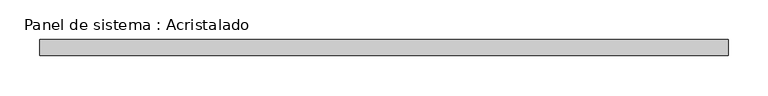
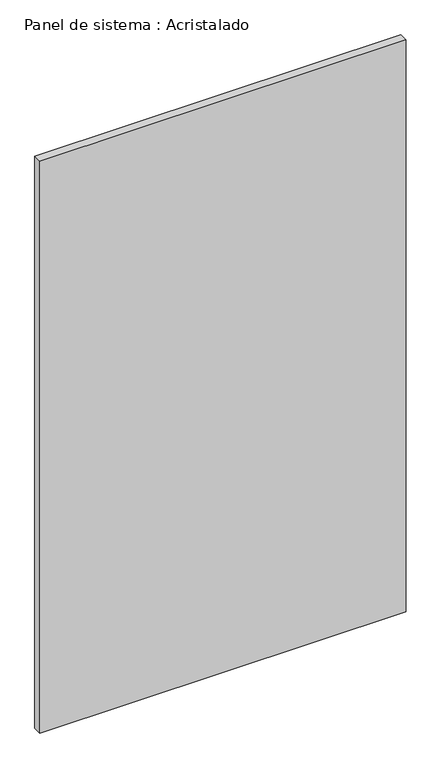
"""IFC4 building model written with IfcOpenShell, lengths in millimetres: plate geometry, Panel de sistema : Acristalado."""

import ifcopenshell
import ifcopenshell.guid

model = None  # the IFC model being written
_history = None  # IfcOwnerHistory: only IFC2X3 demands one
_inside = {}  # id of a spatial element -> (the spatial element, [elements in it])
_under = {}  # id of a project, library or spatial element -> (it, [spatial elements below it])
_declared = {}  # id of a project -> (the project, [libraries it declares])
_typed = {}  # id of a type object -> (the type object, [elements of that type])
_made_of = {}  # id of a material, layer set ... -> (it, [elements and type objects made of it])


def new_model(schema):
    """Start an empty IFC model of exactly this schema.

    Asked for "IFC4X3", IfcOpenShell would pick the latest addendum, in which some entities
    have other attributes; the version numbers below select the first issue.
    IFC2X3 requires an IfcOwnerHistory on every rooted entity: one is made here for all.
    """
    global model, _history
    if schema == "IFC4X3":
        model = ifcopenshell.file(schema_version=(4, 3, 0, 0))
    else:
        model = ifcopenshell.file(schema=schema)
    _inside.clear()
    _under.clear()
    _declared.clear()
    _typed.clear()
    _made_of.clear()
    _history = None
    if model.schema == "IFC2X3":
        org = make("IfcOrganization", Name="unknown")
        user = make(
            "IfcPersonAndOrganization",
            ThePerson=make("IfcPerson", FamilyName="unknown"),
            TheOrganization=org,
        )
        app = make(
            "IfcApplication",
            ApplicationDeveloper=org,
            Version="unknown",
            ApplicationFullName="unknown",
            ApplicationIdentifier="unknown",
        )
        _history = make(
            "IfcOwnerHistory",
            OwningUser=user,
            OwningApplication=app,
            ChangeAction="ADDED",
            CreationDate=0,
        )
    return model


def make(cls, **values):
    """One entity of the class cls with the attributes given. An attribute that is None is left unset."""
    return model.create_entity(
        cls, **{name: value for name, value in values.items() if value is not None}
    )


def rooted(cls, **values):
    """An entity with a GlobalId (a new one), such as an element, a storey or a relation."""
    return make(cls, GlobalId=ifcopenshell.guid.new(), OwnerHistory=_history, **values)


def si_unit(unit_type, name, prefix=None):
    """IfcSIUnit, for example si_unit("LENGTHUNIT", "METRE", prefix="MILLI")."""
    return make("IfcSIUnit", UnitType=unit_type, Prefix=prefix, Name=name)


def assignment(units):
    """IfcUnitAssignment: the units of a project."""
    return None if units is None else make("IfcUnitAssignment", Units=units)


def point(xyz):
    """IfcCartesianPoint."""
    return None if xyz is None else make("IfcCartesianPoint", Coordinates=xyz)


def direction(xyz):
    """IfcDirection."""
    return None if xyz is None else make("IfcDirection", DirectionRatios=xyz)


def frame(location, z_axis=None, x_axis=None):
    """IfcAxis2Placement3D, a coordinate frame: its origin and axes. An axis left out is left unset."""
    return make(
        "IfcAxis2Placement3D",
        Location=point(location),
        Axis=direction(z_axis),
        RefDirection=direction(x_axis),
    )


def origin():
    """The frame at (0, 0, 0) with its axes left unset."""
    return frame((0.0, 0.0, 0.0))


def origin_with_axes():
    """The frame at (0, 0, 0) with the z axis (0, 0, 1) and the x axis (1, 0, 0) written out."""
    return frame((0.0, 0.0, 0.0), z_axis=(0.0, 0.0, 1.0), x_axis=(1.0, 0.0, 0.0))


def place(relative_to, where):
    """IfcLocalPlacement: puts the frame where relative to a parent placement (None: the world)."""
    return make(
        "IfcLocalPlacement", PlacementRelTo=relative_to, RelativePlacement=where
    )


def context(
    kind, dimensions, precision=None, world=None, true_north=None, identifier=None
):
    """IfcGeometricRepresentationContext, for example the 3D "Model" context."""
    return make(
        "IfcGeometricRepresentationContext",
        ContextIdentifier=identifier,
        ContextType=kind,
        CoordinateSpaceDimension=dimensions,
        Precision=precision,
        WorldCoordinateSystem=world,
        TrueNorth=true_north,
    )


def project(units=None, contexts=None):
    """IfcProject with its units and contexts."""
    return rooted(
        "IfcProject",
        Name="project",
        RepresentationContexts=contexts,
        UnitsInContext=assignment(units),
    )


def spatial(cls, under=None, at=None, **own):
    """A site, building, storey or space (cls), placed at a placement, below another one or the project."""
    s = rooted(cls, ObjectPlacement=at, **own)
    if under is not None:
        _under.setdefault(under.id(), (under, []))[1].append(s)
    return s


def polyline(points):
    """IfcPolyline through the points."""
    return make("IfcPolyline", Points=[point(p) for p in points])


def outline(outer, holes=None, kind="AREA"):
    """IfcArbitraryClosedProfileDef: a profile drawn as a closed curve; with holes, ...WithVoids."""
    if holes is None:
        return make("IfcArbitraryClosedProfileDef", ProfileType=kind, OuterCurve=outer)
    return make(
        "IfcArbitraryProfileDefWithVoids",
        ProfileType=kind,
        OuterCurve=outer,
        InnerCurves=holes,
    )


def extrude(swept, where, along, depth):
    """IfcExtrudedAreaSolid: the profile swept, set in the frame where, extruded along a direction by depth."""
    return make(
        "IfcExtrudedAreaSolid",
        SweptArea=swept,
        Position=where,
        ExtrudedDirection=direction(along),
        Depth=depth,
    )


def shape(context_of_items, identifier, shape_type, items):
    """IfcShapeRepresentation: the items that make up one representation, for example the "Body"."""
    return make(
        "IfcShapeRepresentation",
        ContextOfItems=context_of_items,
        RepresentationIdentifier=identifier,
        RepresentationType=shape_type,
        Items=items,
    )


def source(mapping_origin, context_of_items, identifier, shape_type, items):
    """IfcRepresentationMap: a shape defined once, which mapped items show again and again."""
    return make(
        "IfcRepresentationMap",
        MappingOrigin=mapping_origin,
        MappedRepresentation=shape(context_of_items, identifier, shape_type, items),
    )


def transform(
    local_origin,
    x_axis=None,
    y_axis=None,
    z_axis=None,
    scale=None,
    scale2=None,
    scale3=None,
    uniform=True,
):
    """IfcCartesianTransformationOperator3D, or its non-uniform kind. x_axis, y_axis, z_axis: its Axis1, 2, 3."""
    if uniform:
        return make(
            "IfcCartesianTransformationOperator3D",
            Axis1=direction(x_axis),
            Axis2=direction(y_axis),
            LocalOrigin=point(local_origin),
            Scale=scale,
            Axis3=direction(z_axis),
        )
    return make(
        "IfcCartesianTransformationOperator3DnonUniform",
        Axis1=direction(x_axis),
        Axis2=direction(y_axis),
        LocalOrigin=point(local_origin),
        Scale=scale,
        Axis3=direction(z_axis),
        Scale2=scale2,
        Scale3=scale3,
    )


def mapped(mapping_source, mapping_target):
    """IfcMappedItem: shows the shape of a source again, moved by a transform."""
    return make(
        "IfcMappedItem", MappingSource=mapping_source, MappingTarget=mapping_target
    )


def made_of(thing, what):
    """Note that an element or type object is made of a material, layer set ...; save() writes the relation."""
    if what is not None:
        _made_of.setdefault(what.id(), (what, []))[1].append(thing)
    return thing


def element(
    cls,
    number,
    at=None,
    inside=None,
    cuts=None,
    type_object=None,
    material=None,
    context=None,
    identifier="Body",
    shape_type=None,
    held_by="IfcProductDefinitionShape",
    body=None,
    shapes=None,
    **own,
):
    """One element of the class cls, such as IfcWall. Its Tag is "e" and its number.

    at: its placement. inside: the storey or other place that contains it. cuts: it is an
    opening in that element (IfcRelVoidsElement). A single representation is given by context,
    identifier, shape_type and body (its items); several are given by shapes. held_by: the class
    of the entity that holds the representations. save() writes the other relations.
    """
    e = rooted(cls, Tag="e%d" % number, ObjectPlacement=at, **own)
    if body is not None:
        shapes = [shape(context, identifier, shape_type, body)]
    if shapes is not None:
        e.Representation = make(held_by, Representations=shapes)
    if inside is not None:
        _inside.setdefault(inside.id(), (inside, []))[1].append(e)
    if cuts is not None:
        rooted(
            "IfcRelVoidsElement", RelatingBuildingElement=cuts, RelatedOpeningElement=e
        )
    if type_object is not None:
        _typed.setdefault(type_object.id(), (type_object, []))[1].append(e)
    return made_of(e, material)


def aggregate(whole, parts):
    """IfcRelAggregates: a whole, such as a stair, and the parts it consists of."""
    return rooted("IfcRelAggregates", RelatingObject=whole, RelatedObjects=parts)


def save(model, path):
    """Write the relations noted so far, then the file.

    IfcRelAggregates (storeys below a building ...), IfcRelContainedInSpatialStructure (elements
    in a storey), IfcRelDefinesByType, IfcRelAssociatesMaterial and IfcRelDeclares: one each for
    every whole, place, type object, material and project.
    """
    for whole, parts in _under.values():
        aggregate(whole, parts)
    for where, things in _inside.values():
        rooted(
            "IfcRelContainedInSpatialStructure",
            RelatedElements=things,
            RelatingStructure=where,
        )
    for kind, things in _typed.values():
        rooted("IfcRelDefinesByType", RelatedObjects=things, RelatingType=kind)
    for what, things in _made_of.values():
        rooted("IfcRelAssociatesMaterial", RelatedObjects=things, RelatingMaterial=what)
    for by, libraries in _declared.values():
        rooted("IfcRelDeclares", RelatingContext=by, RelatedDefinitions=libraries)
    model.write(path)


def panel_de_sistema_acristalado_970eabf3(model_context):
    return source(origin(), model_context, "Body", "SweptSolid", [
        extrude(outline(polyline([(430.0450398, -10.0), (-430.0450398, -10.0), (-430.0450398, 10.0), (430.0450398, 10.0), (430.0450398, -10.0)])), origin_with_axes(), (0.0, 0.0, 1.0), 1419.2228533),
    ])


if __name__ == "__main__":
    model = new_model("IFC4")
    model_context = context("Model", 3, world=origin())
    ifc_project = project(units=[si_unit("LENGTHUNIT", "METRE", prefix="MILLI")], contexts=[model_context])
    site = spatial("IfcSite", under=ifc_project)
    building = spatial("IfcBuilding", under=site)
    placement = place(None, origin())
    panel_de_sistema_acristalado_shape = panel_de_sistema_acristalado_970eabf3(model_context)
    element("IfcPlate", 1, ObjectType="Panel de sistema : Acristalado", at=placement, inside=building, context=model_context, shape_type="MappedRepresentation", body=[
        mapped(panel_de_sistema_acristalado_shape, transform((0.0, 0.0, 0.0), x_axis=(1.0, 0.0, 0.0), y_axis=(0.0, 1.0, 0.0), z_axis=(0.0, 0.0, 1.0))),
    ])
    save(model, "model.ifc")
